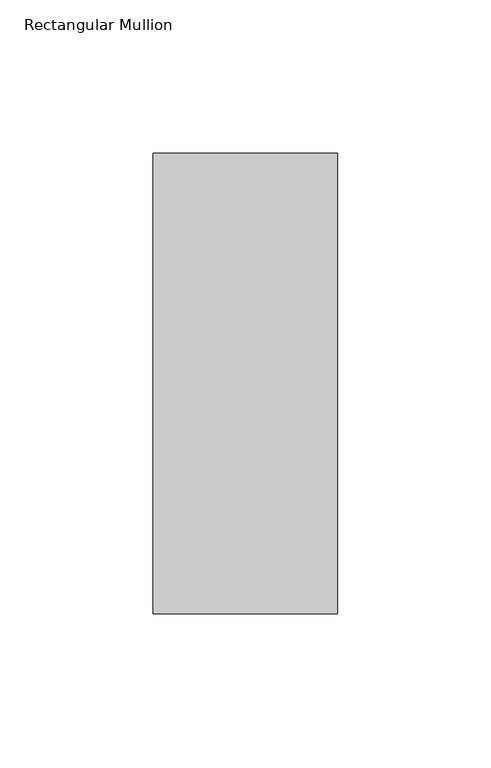
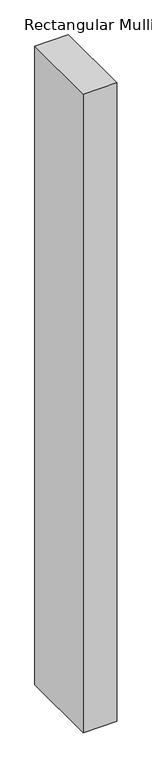
"""IFC4 building model written with IfcOpenShell, lengths in millimetres: member geometry, Rectangular Mullion."""

from ifc_helpers import new_model, si_unit, frame, origin, place, context, project, spatial, polyline, outline, extrude, source, transform, mapped, element, save


def rectangular_mullion_a8a6f3ae(model_context):
    return source(origin(), model_context, "Body", "SweptSolid", [
        extrude(outline(polyline([(0.0, 75.0), (0.0, -75.0), (-60.0, -75.0), (-60.0, 75.0), (0.0, 75.0)])), frame((0.0, 0.0, -1210.0), z_axis=(0.0, 0.0, 1.0), x_axis=(1.0, 0.0, 0.0)), (0.0, 0.0, 1.0), 1210.0),
    ])


if __name__ == "__main__":
    model = new_model("IFC4")
    model_context = context("Model", 3, world=origin())
    ifc_project = project(units=[si_unit("LENGTHUNIT", "METRE", prefix="MILLI")], contexts=[model_context])
    site = spatial("IfcSite", under=ifc_project)
    building = spatial("IfcBuilding", under=site)
    placement = place(None, origin())
    rectangular_mullion_shape = rectangular_mullion_a8a6f3ae(model_context)
    element("IfcMember", 1, ObjectType="Rectangular Mullion", at=placement, inside=building, context=model_context, shape_type="MappedRepresentation", body=[
        mapped(rectangular_mullion_shape, transform((0.0, 0.0, 0.0), x_axis=(1.0, 0.0, 0.0), y_axis=(0.0, 1.0, 0.0), z_axis=(0.0, 0.0, 1.0))),
    ])
    save(model, "model.ifc")
